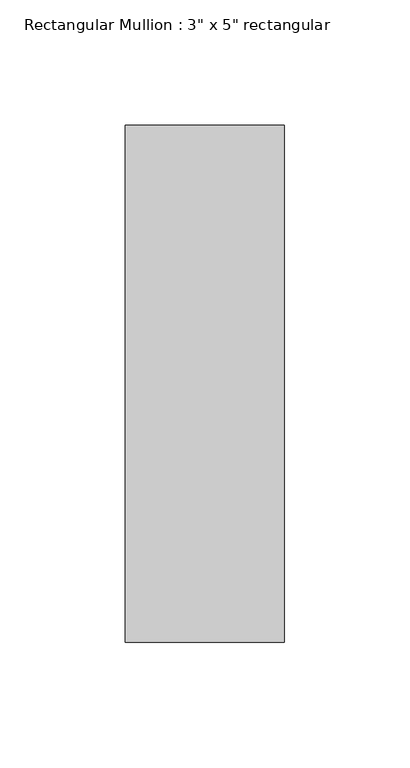
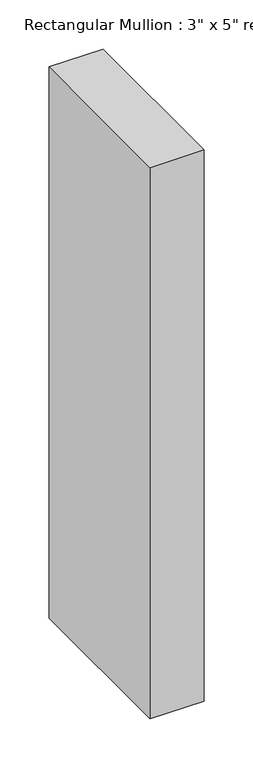
"""IFC4 building model written with IfcOpenShell, lengths in millimetres: member geometry."""

import ifcopenshell
import ifcopenshell.guid

model = None  # the IFC model being written
_history = None  # IfcOwnerHistory: only IFC2X3 demands one
_inside = {}  # id of a spatial element -> (the spatial element, [elements in it])
_under = {}  # id of a project, library or spatial element -> (it, [spatial elements below it])
_declared = {}  # id of a project -> (the project, [libraries it declares])
_typed = {}  # id of a type object -> (the type object, [elements of that type])
_made_of = {}  # id of a material, layer set ... -> (it, [elements and type objects made of it])


def new_model(schema):
    """Start an empty IFC model of exactly this schema.

    Asked for "IFC4X3", IfcOpenShell would pick the latest addendum, in which some entities
    have other attributes; the version numbers below select the first issue.
    IFC2X3 requires an IfcOwnerHistory on every rooted entity: one is made here for all.
    """
    global model, _history
    if schema == "IFC4X3":
        model = ifcopenshell.file(schema_version=(4, 3, 0, 0))
    else:
        model = ifcopenshell.file(schema=schema)
    _inside.clear()
    _under.clear()
    _declared.clear()
    _typed.clear()
    _made_of.clear()
    _history = None
    if model.schema == "IFC2X3":
        org = make("IfcOrganization", Name="unknown")
        user = make(
            "IfcPersonAndOrganization",
            ThePerson=make("IfcPerson", FamilyName="unknown"),
            TheOrganization=org,
        )
        app = make(
            "IfcApplication",
            ApplicationDeveloper=org,
            Version="unknown",
            ApplicationFullName="unknown",
            ApplicationIdentifier="unknown",
        )
        _history = make(
            "IfcOwnerHistory",
            OwningUser=user,
            OwningApplication=app,
            ChangeAction="ADDED",
            CreationDate=0,
        )
    return model


def make(cls, **values):
    """One entity of the class cls with the attributes given. An attribute that is None is left unset."""
    return model.create_entity(
        cls, **{name: value for name, value in values.items() if value is not None}
    )


def rooted(cls, **values):
    """An entity with a GlobalId (a new one), such as an element, a storey or a relation."""
    return make(cls, GlobalId=ifcopenshell.guid.new(), OwnerHistory=_history, **values)


def si_unit(unit_type, name, prefix=None):
    """IfcSIUnit, for example si_unit("LENGTHUNIT", "METRE", prefix="MILLI")."""
    return make("IfcSIUnit", UnitType=unit_type, Prefix=prefix, Name=name)


def assignment(units):
    """IfcUnitAssignment: the units of a project."""
    return None if units is None else make("IfcUnitAssignment", Units=units)


def point(xyz):
    """IfcCartesianPoint."""
    return None if xyz is None else make("IfcCartesianPoint", Coordinates=xyz)


def direction(xyz):
    """IfcDirection."""
    return None if xyz is None else make("IfcDirection", DirectionRatios=xyz)


def frame(location, z_axis=None, x_axis=None):
    """IfcAxis2Placement3D, a coordinate frame: its origin and axes. An axis left out is left unset."""
    return make(
        "IfcAxis2Placement3D",
        Location=point(location),
        Axis=direction(z_axis),
        RefDirection=direction(x_axis),
    )


def origin():
    """The frame at (0, 0, 0) with its axes left unset."""
    return frame((0.0, 0.0, 0.0))


def place(relative_to, where):
    """IfcLocalPlacement: puts the frame where relative to a parent placement (None: the world)."""
    return make(
        "IfcLocalPlacement", PlacementRelTo=relative_to, RelativePlacement=where
    )


def context(
    kind, dimensions, precision=None, world=None, true_north=None, identifier=None
):
    """IfcGeometricRepresentationContext, for example the 3D "Model" context."""
    return make(
        "IfcGeometricRepresentationContext",
        ContextIdentifier=identifier,
        ContextType=kind,
        CoordinateSpaceDimension=dimensions,
        Precision=precision,
        WorldCoordinateSystem=world,
        TrueNorth=true_north,
    )


def project(units=None, contexts=None):
    """IfcProject with its units and contexts."""
    return rooted(
        "IfcProject",
        Name="project",
        RepresentationContexts=contexts,
        UnitsInContext=assignment(units),
    )


def spatial(cls, under=None, at=None, **own):
    """A site, building, storey or space (cls), placed at a placement, below another one or the project."""
    s = rooted(cls, ObjectPlacement=at, **own)
    if under is not None:
        _under.setdefault(under.id(), (under, []))[1].append(s)
    return s


def polyline(points):
    """IfcPolyline through the points."""
    return make("IfcPolyline", Points=[point(p) for p in points])


def outline(outer, holes=None, kind="AREA"):
    """IfcArbitraryClosedProfileDef: a profile drawn as a closed curve; with holes, ...WithVoids."""
    if holes is None:
        return make("IfcArbitraryClosedProfileDef", ProfileType=kind, OuterCurve=outer)
    return make(
        "IfcArbitraryProfileDefWithVoids",
        ProfileType=kind,
        OuterCurve=outer,
        InnerCurves=holes,
    )


def extrude(swept, where, along, depth):
    """IfcExtrudedAreaSolid: the profile swept, set in the frame where, extruded along a direction by depth."""
    return make(
        "IfcExtrudedAreaSolid",
        SweptArea=swept,
        Position=where,
        ExtrudedDirection=direction(along),
        Depth=depth,
    )


def shape(context_of_items, identifier, shape_type, items):
    """IfcShapeRepresentation: the items that make up one representation, for example the "Body"."""
    return make(
        "IfcShapeRepresentation",
        ContextOfItems=context_of_items,
        RepresentationIdentifier=identifier,
        RepresentationType=shape_type,
        Items=items,
    )


def source(mapping_origin, context_of_items, identifier, shape_type, items):
    """IfcRepresentationMap: a shape defined once, which mapped items show again and again."""
    return make(
        "IfcRepresentationMap",
        MappingOrigin=mapping_origin,
        MappedRepresentation=shape(context_of_items, identifier, shape_type, items),
    )


def transform(
    local_origin,
    x_axis=None,
    y_axis=None,
    z_axis=None,
    scale=None,
    scale2=None,
    scale3=None,
    uniform=True,
):
    """IfcCartesianTransformationOperator3D, or its non-uniform kind. x_axis, y_axis, z_axis: its Axis1, 2, 3."""
    if uniform:
        return make(
            "IfcCartesianTransformationOperator3D",
            Axis1=direction(x_axis),
            Axis2=direction(y_axis),
            LocalOrigin=point(local_origin),
            Scale=scale,
            Axis3=direction(z_axis),
        )
    return make(
        "IfcCartesianTransformationOperator3DnonUniform",
        Axis1=direction(x_axis),
        Axis2=direction(y_axis),
        LocalOrigin=point(local_origin),
        Scale=scale,
        Axis3=direction(z_axis),
        Scale2=scale2,
        Scale3=scale3,
    )


def mapped(mapping_source, mapping_target):
    """IfcMappedItem: shows the shape of a source again, moved by a transform."""
    return make(
        "IfcMappedItem", MappingSource=mapping_source, MappingTarget=mapping_target
    )


def made_of(thing, what):
    """Note that an element or type object is made of a material, layer set ...; save() writes the relation."""
    if what is not None:
        _made_of.setdefault(what.id(), (what, []))[1].append(thing)
    return thing


def element(
    cls,
    number,
    at=None,
    inside=None,
    cuts=None,
    type_object=None,
    material=None,
    context=None,
    identifier="Body",
    shape_type=None,
    held_by="IfcProductDefinitionShape",
    body=None,
    shapes=None,
    **own,
):
    """One element of the class cls, such as IfcWall. Its Tag is "e" and its number.

    at: its placement. inside: the storey or other place that contains it. cuts: it is an
    opening in that element (IfcRelVoidsElement). A single representation is given by context,
    identifier, shape_type and body (its items); several are given by shapes. held_by: the class
    of the entity that holds the representations. save() writes the other relations.
    """
    e = rooted(cls, Tag="e%d" % number, ObjectPlacement=at, **own)
    if body is not None:
        shapes = [shape(context, identifier, shape_type, body)]
    if shapes is not None:
        e.Representation = make(held_by, Representations=shapes)
    if inside is not None:
        _inside.setdefault(inside.id(), (inside, []))[1].append(e)
    if cuts is not None:
        rooted(
            "IfcRelVoidsElement", RelatingBuildingElement=cuts, RelatedOpeningElement=e
        )
    if type_object is not None:
        _typed.setdefault(type_object.id(), (type_object, []))[1].append(e)
    return made_of(e, material)


def aggregate(whole, parts):
    """IfcRelAggregates: a whole, such as a stair, and the parts it consists of."""
    return rooted("IfcRelAggregates", RelatingObject=whole, RelatedObjects=parts)


def save(model, path):
    """Write the relations noted so far, then the file.

    IfcRelAggregates (storeys below a building ...), IfcRelContainedInSpatialStructure (elements
    in a storey), IfcRelDefinesByType, IfcRelAssociatesMaterial and IfcRelDeclares: one each for
    every whole, place, type object, material and project.
    """
    for whole, parts in _under.values():
        aggregate(whole, parts)
    for where, things in _inside.values():
        rooted(
            "IfcRelContainedInSpatialStructure",
            RelatedElements=things,
            RelatingStructure=where,
        )
    for kind, things in _typed.values():
        rooted("IfcRelDefinesByType", RelatedObjects=things, RelatingType=kind)
    for what, things in _made_of.values():
        rooted("IfcRelAssociatesMaterial", RelatedObjects=things, RelatingMaterial=what)
    for by, libraries in _declared.values():
        rooted("IfcRelDeclares", RelatingContext=by, RelatedDefinitions=libraries)
    model.write(path)


def member_bbb37aa3(model_context):
    return source(origin(), model_context, "Body", "SweptSolid", [
        extrude(outline(polyline([(0.0, 90.551), (0.0, -115.951), (-63.5, -115.951), (-63.5, 90.551), (0.0, 90.551)])), frame((0.0, 0.0, -685.8), z_axis=(0.0, 0.0, 1.0), x_axis=(1.0, 0.0, 0.0)), (0.0, 0.0, 1.0), 685.8),
    ])


if __name__ == "__main__":
    model = new_model("IFC4")
    model_context = context("Model", 3, world=origin())
    ifc_project = project(units=[si_unit("LENGTHUNIT", "METRE", prefix="MILLI")], contexts=[model_context])
    site = spatial("IfcSite", under=ifc_project)
    building = spatial("IfcBuilding", under=site)
    placement = place(None, origin())
    member_shape = member_bbb37aa3(model_context)
    element("IfcMember", 1, ObjectType="Rectangular Mullion : 3\" x 5\" rectangular", at=placement, inside=building, context=model_context, shape_type="MappedRepresentation", body=[
        mapped(member_shape, transform((0.0, 0.0, 0.0), x_axis=(1.0, 0.0, 0.0), y_axis=(0.0, 1.0, 0.0), z_axis=(0.0, 0.0, 1.0))),
    ])
    save(model, "model.ifc")
